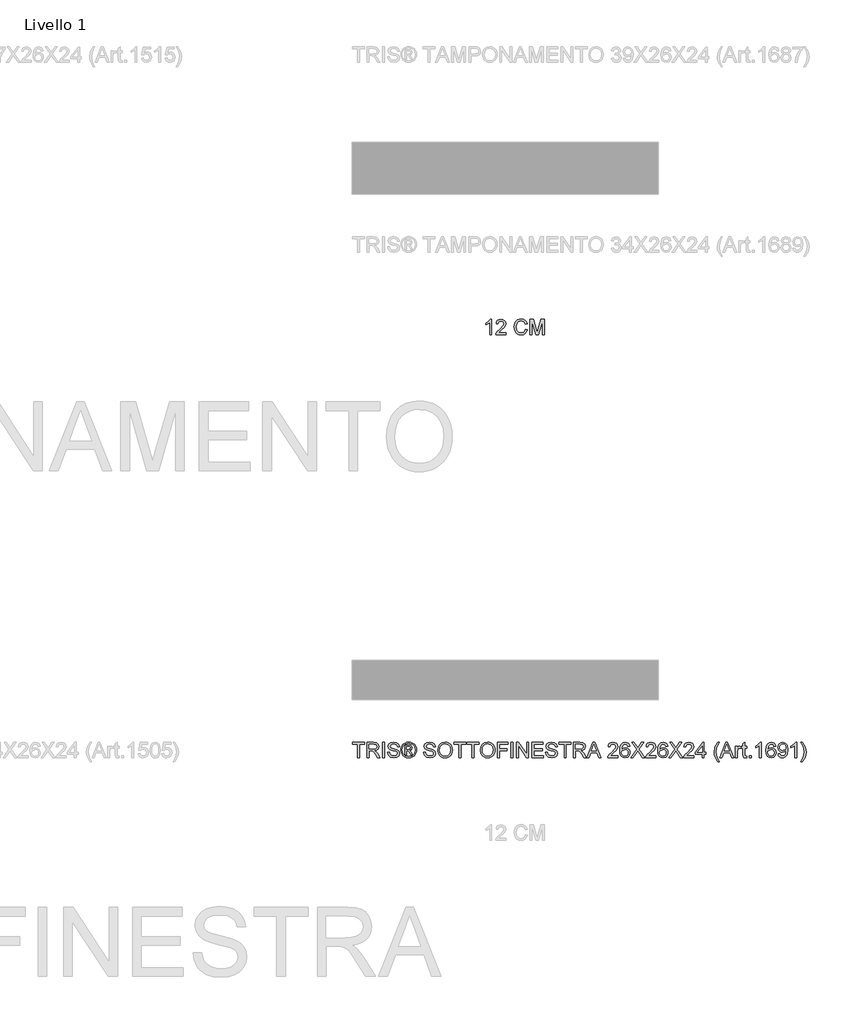
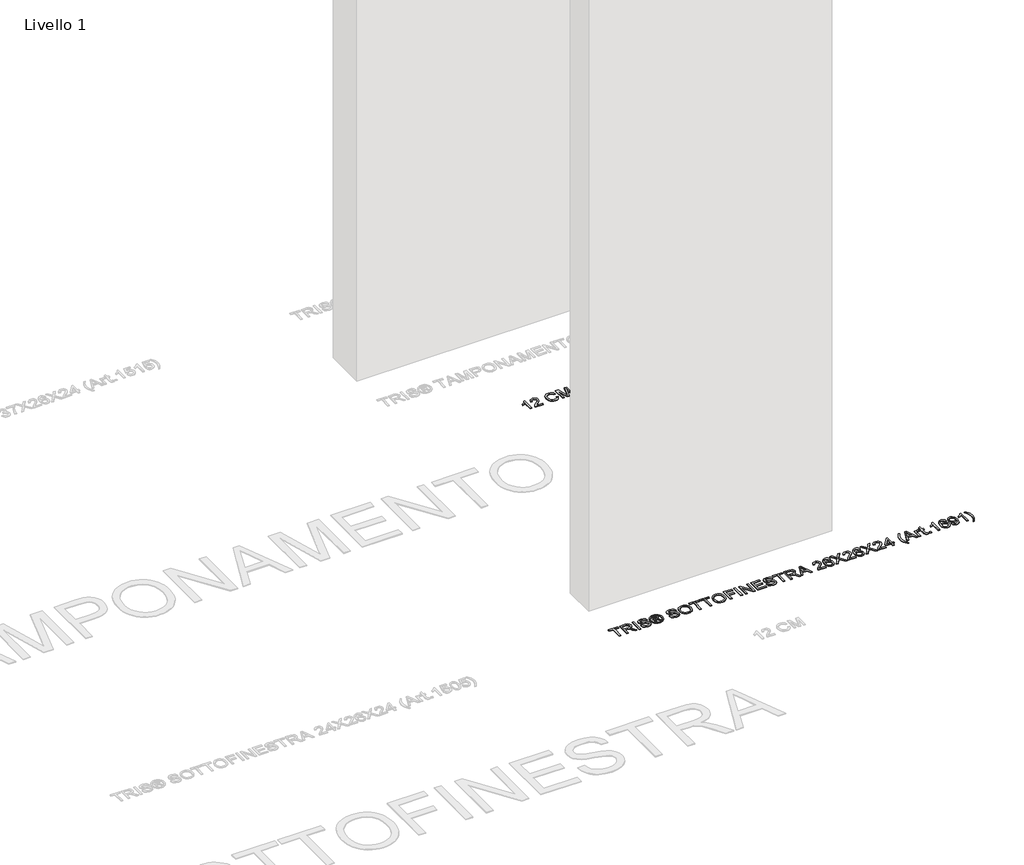
# One storey, part 13 of 16: 2 proxies.
"""IFC4 building model written with IfcOpenShell, lengths in millimetres."""

from ifc_helpers import new_model, si_unit, origin, origin_with_axes, place, context, project, spatial, polyline, outline, extrude, element, save

model = new_model("IFC4")

# Units and contexts
model_context = context("Model", 3, world=origin())
ifc_project = project(units=[si_unit("LENGTHUNIT", "METRE", prefix="MILLI")], contexts=[model_context])

# Site, building, storey
site = spatial("IfcSite", under=ifc_project)
building = spatial("IfcBuilding", under=site)
storey = spatial("IfcBuildingStorey", under=building, Name="Livello 1", Elevation=0.0)

# Proxies
placement = place(None, origin())
element("IfcBuildingElementProxy", 1, Name="100", ObjectType="100", at=placement, inside=storey, context=model_context, shape_type="SweptSolid", body=[
    extrude(outline(polyline([(2625.2646003, 1459.0708569), (2625.2646003, 1546.9701283), (2592.3023735, 1546.9701283), (2592.3023735, 1559.527167), (2670.7838658, 1559.527167), (2670.7838658, 1546.9701283), (2637.8216391, 1546.9701283), (2637.8216391, 1459.0708569), (2625.2646003, 1459.0708569)])), origin_with_axes(), (0.0, 0.0, 1.0), 5.0),
    extrude(outline(polyline([(2684.9105345, 1459.0708569), (2684.9105345, 1559.527167), (2728.1979826, 1559.527167), (2748.2966022, 1556.817103), (2759.2840112, 1547.2276457), (2763.3920268, 1532.0341193), (2761.6905725, 1522.1380936), (2756.5862099, 1513.9343251), (2747.9256546, 1507.9194545), (2735.5556225, 1504.5901224), (2742.6925332, 1499.2190453), (2752.8706017, 1486.2941245), (2769.6214952, 1459.0708569), (2755.0288427, 1459.0708569), (2741.9567692, 1479.8929778), (2732.5144646, 1493.6762899), (2725.880326, 1500.1878012), (2719.9083749, 1502.5790342), (2712.6243114, 1503.0204926), (2697.4675732, 1503.0204926), (2697.4675732, 1459.0708569), (2684.9105345, 1459.0708569)]), holes=[polyline([(2697.4675732, 1515.5775314), (2725.5737577, 1515.5775314), (2739.9088927, 1517.3556277), (2748.0513476, 1523.0455359), (2750.834988, 1531.5681354), (2745.5252245, 1542.6291207), (2728.7375428, 1546.9701283), (2697.4675732, 1546.9701283), (2697.4675732, 1515.5775314)])]), origin_with_axes(), (0.0, 0.0, 1.0), 5.0),
    extrude(outline(polyline([(2786.9364745, 1459.0708569), (2786.9364745, 1559.527167), (2799.4935132, 1559.527167), (2799.4935132, 1459.0708569), (2786.9364745, 1459.0708569)])), origin_with_axes(), (0.0, 0.0, 1.0), 5.0),
    extrude(outline(polyline([(2819.8987012, 1493.6027135), (2832.45574, 1493.6027135), (2836.5024419, 1481.033412), (2846.3862049, 1473.0871609), (2861.4448412, 1470.0582658), (2874.5659657, 1472.3513969), (2883.0395143, 1478.6544418), (2885.8231548, 1487.0789395), (2883.7384901, 1494.914826), (2875.2036278, 1500.6169969), (2856.9198927, 1505.4117256), (2837.2382059, 1511.6044058), (2826.5573653, 1520.9486085), (2823.0379609, 1533.4320709), (2827.3912312, 1547.6445786), (2840.1076855, 1557.6754943), (2858.7225144, 1561.0967969), (2878.5881422, 1557.5160788), (2891.831894, 1546.9946537), (2896.8105637, 1531.2738298), (2884.2535249, 1531.2738298), (2881.9481311, 1538.7663598), (2877.1411397, 1544.1742251), (2859.2130238, 1548.5397581), (2841.2358569, 1544.2232761), (2835.5949997, 1533.7999529), (2839.5926507, 1525.0934123), (2860.0959406, 1518.0791289), (2882.3160131, 1511.7760841), (2894.4683816, 1501.5980155), (2898.3801935, 1487.3977705), (2893.8797705, 1472.3759224), (2880.9303242, 1461.4130389), (2861.9353505, 1457.5012271), (2839.5068116, 1461.7196073), (2825.3188293, 1474.4237988), (2819.8987012, 1493.6027135)])), origin_with_axes(), (0.0, 0.0, 1.0), 5.0),
    extrude(outline(polyline([(2934.48168, 1477.9064151), (2934.48168, 1540.6916089), (2954.7642407, 1540.6916089), (2969.822877, 1538.9625635), (2977.2418306, 1532.9292988), (2980.0009455, 1523.7690371), (2975.2430051, 1511.8496605), (2962.6369154, 1506.1597523), (2967.5420086, 1502.8242889), (2976.1013964, 1490.2917756), (2983.1402052, 1477.9064151), (2972.5452038, 1477.9064151), (2967.0269738, 1487.8637544), (2957.780873, 1502.2847286), (2949.7610455, 1504.5901224), (2943.8994591, 1504.5901224), (2943.8994591, 1477.9064151), (2934.48168, 1477.9064151)]), holes=[polyline([(2943.8994591, 1514.0079015), (2955.8188357, 1514.0079015), (2967.4684322, 1516.3991345), (2970.5831664, 1522.7389675), (2969.087113, 1527.3007043), (2964.9300465, 1530.2928112), (2955.0585463, 1531.2738298), (2943.8994591, 1531.2738298), (2943.8994591, 1514.0079015)])]), origin_with_axes(), (0.0, 0.0, 1.0), 5.0),
    extrude(outline(polyline([(2958.0506531, 1561.0967969), (2970.9449171, 1559.4229338), (2983.5326127, 1554.4013446), (2994.5905323, 1546.2650211), (3002.8954684, 1535.2469554), (3008.0918015, 1522.5243697), (3009.8239126, 1509.2744865), (3008.116327, 1496.1410993), (3002.9935702, 1483.5227468), (2994.7898017, 1472.544535), (2983.839181, 1464.3315694), (2971.2300256, 1459.2088126), (2958.0506531, 1457.5012271), (2944.8896748, 1459.2088126), (2932.2866507, 1464.3315694), (2921.326833, 1472.544535), (2913.0954733, 1483.5227468), (2907.9451254, 1496.1410993), (2906.2283428, 1509.2744865), (2907.9696509, 1522.5243697), (2913.1935752, 1535.2469554), (2921.5261024, 1546.2650211), (2932.5932191, 1554.4013446), (2945.1747833, 1559.4229338), (2958.0506531, 1561.0967969)]), holes=[polyline([(2958.0506531, 1551.6790178), (2937.2285322, 1546.1975761), (2928.2000949, 1539.5358463), (2921.3728182, 1530.5135404), (2915.6461218, 1509.2744865), (2921.2624536, 1488.2193737), (2936.9832776, 1472.5353379), (2958.0506531, 1466.9190061), (2979.1302915, 1472.5353379), (2994.8143272, 1488.2193737), (3000.4061335, 1509.2744865), (2994.7162253, 1530.5135404), (2987.9073427, 1539.5358463), (2978.8605113, 1546.1975761), (2958.0506531, 1551.6790178)])]), origin_with_axes(), (0.0, 0.0, 1.0), 5.0),
    extrude(outline(polyline([(3055.3431781, 1493.6027135), (3067.9002169, 1493.6027135), (3071.9469189, 1481.033412), (3081.8306818, 1473.0871609), (3096.8893181, 1470.0582658), (3110.0104426, 1472.3513969), (3118.4839912, 1478.6544418), (3121.2676317, 1487.0789395), (3119.182967, 1494.914826), (3110.6481047, 1500.6169969), (3092.3643696, 1505.4117256), (3072.6826828, 1511.6044058), (3062.0018422, 1520.9486085), (3058.4824378, 1533.4320709), (3062.8357081, 1547.6445786), (3075.5521624, 1557.6754943), (3094.1669914, 1561.0967969), (3114.0326191, 1557.5160788), (3127.2763709, 1546.9946537), (3132.2550406, 1531.2738298), (3119.6980018, 1531.2738298), (3117.392608, 1538.7663598), (3112.5856166, 1544.1742251), (3094.6575007, 1548.5397581), (3076.6803339, 1544.2232761), (3071.0394766, 1533.7999529), (3075.0371276, 1525.0934123), (3095.5404175, 1518.0791289), (3117.76049, 1511.7760841), (3129.9128586, 1501.5980155), (3133.8246704, 1487.3977705), (3129.3242474, 1472.3759224), (3116.3748011, 1461.4130389), (3097.3798275, 1457.5012271), (3074.9512885, 1461.7196073), (3060.7633062, 1474.4237988), (3055.3431781, 1493.6027135)])), origin_with_axes(), (0.0, 0.0, 1.0), 5.0),
    extrude(outline(polyline([(3147.9513391, 1507.9746368), (3151.2990652, 1530.1885779), (3161.3422437, 1546.9946537), (3176.6767915, 1557.5712611), (3195.8986258, 1561.0967969), (3209.0749326, 1559.4413279), (3220.890076, 1554.474921), (3230.7002625, 1546.547064), (3237.8616987, 1536.0072448), (3242.2394944, 1523.3643669), (3243.6987597, 1509.1273337), (3242.1628523, 1494.7002281), (3237.5551303, 1481.8795406), (3230.1300454, 1471.3213273), (3220.1420492, 1463.6816446), (3208.4280734, 1459.0463314), (3195.8250494, 1457.5012271), (3182.4464075, 1459.2088126), (3170.563819, 1464.3315694), (3160.778158, 1472.4065792), (3153.6902982, 1482.9709239), (3147.9513391, 1507.9746368)]), holes=[polyline([(3160.5083778, 1507.8520095), (3163.0191724, 1492.1373169), (3170.5515563, 1480.162758), (3181.8731247, 1472.5843889), (3195.751473, 1470.0582658), (3209.8321563, 1472.6089143), (3221.1721188, 1480.2608598), (3228.6493204, 1492.6033008), (3231.1417209, 1509.2254356), (3226.8742898, 1529.9494546), (3214.4030901, 1543.6714531), (3195.9722022, 1548.5397581), (3182.4648016, 1546.1945104), (3170.980752, 1539.1587672), (3163.1264714, 1526.6415824), (3160.5083778, 1507.8520095)])]), origin_with_axes(), (0.0, 0.0, 1.0), 5.0),
    extrude(outline(polyline([(3286.0787655, 1459.0708569), (3286.0787655, 1546.9701283), (3253.1165387, 1546.9701283), (3253.1165387, 1559.527167), (3331.598031, 1559.527167), (3331.598031, 1546.9701283), (3298.6358043, 1546.9701283), (3298.6358043, 1459.0708569), (3286.0787655, 1459.0708569)])), origin_with_axes(), (0.0, 0.0, 1.0), 5.0),
    extrude(outline(polyline([(3370.8387772, 1459.0708569), (3370.8387772, 1546.9701283), (3337.8765504, 1546.9701283), (3337.8765504, 1559.527167), (3416.3580427, 1559.527167), (3416.3580427, 1546.9701283), (3383.395816, 1546.9701283), (3383.395816, 1459.0708569), (3370.8387772, 1459.0708569)])), origin_with_axes(), (0.0, 0.0, 1.0), 5.0),
    extrude(outline(polyline([(3425.7758218, 1507.9746368), (3429.123548, 1530.1885779), (3439.1667264, 1546.9946537), (3454.5012743, 1557.5712611), (3473.7231085, 1561.0967969), (3486.8994153, 1559.4413279), (3498.7145587, 1554.474921), (3508.5247453, 1546.547064), (3515.6861814, 1536.0072448), (3520.0639772, 1523.3643669), (3521.5232424, 1509.1273337), (3519.9873351, 1494.7002281), (3515.3796131, 1481.8795406), (3507.9545282, 1471.3213273), (3497.966532, 1463.6816446), (3486.2525561, 1459.0463314), (3473.6495321, 1457.5012271), (3460.2708902, 1459.2088126), (3448.3883018, 1464.3315694), (3438.6026407, 1472.4065792), (3431.5147809, 1482.9709239), (3425.7758218, 1507.9746368)]), holes=[polyline([(3438.3328606, 1507.8520095), (3440.8436552, 1492.1373169), (3448.3760391, 1480.162758), (3459.6976075, 1472.5843889), (3473.5759557, 1470.0582658), (3487.6566391, 1472.6089143), (3498.9966016, 1480.2608598), (3506.4738031, 1492.6033008), (3508.9662037, 1509.2254356), (3504.6987725, 1529.9494546), (3492.2275729, 1543.6714531), (3473.7966849, 1548.5397581), (3460.2892843, 1546.1945104), (3448.8052347, 1539.1587672), (3440.9509541, 1526.6415824), (3438.3328606, 1507.8520095)])]), origin_with_axes(), (0.0, 0.0, 1.0), 5.0),
    extrude(outline(polyline([(3538.7891707, 1459.0708569), (3538.7891707, 1559.527167), (3606.2832541, 1559.527167), (3606.2832541, 1546.9701283), (3551.3462095, 1546.9701283), (3551.3462095, 1517.1471612), (3598.4351049, 1517.1471612), (3598.4351049, 1504.5901224), (3551.3462095, 1504.5901224), (3551.3462095, 1459.0708569), (3538.7891707, 1459.0708569)])), origin_with_axes(), (0.0, 0.0, 1.0), 5.0),
    extrude(outline(polyline([(3625.1188123, 1459.0708569), (3625.1188123, 1559.527167), (3637.675851, 1559.527167), (3637.675851, 1459.0708569), (3625.1188123, 1459.0708569)])), origin_with_axes(), (0.0, 0.0, 1.0), 5.0),
    extrude(outline(polyline([(3662.7899286, 1459.0708569), (3662.7899286, 1559.527167), (3676.2298841, 1559.527167), (3728.7143821, 1479.9420288), (3728.7143821, 1559.527167), (3741.2714209, 1559.527167), (3741.2714209, 1459.0708569), (3727.8314653, 1459.0708569), (3675.3469673, 1538.6805207), (3675.3469673, 1459.0708569), (3662.7899286, 1459.0708569)])), origin_with_axes(), (0.0, 0.0, 1.0), 5.0),
    extrude(outline(polyline([(3763.2462387, 1459.0708569), (3763.2462387, 1559.527167), (3835.4492116, 1559.527167), (3835.4492116, 1546.9701283), (3775.8032775, 1546.9701283), (3775.8032775, 1517.1471612), (3832.309952, 1517.1471612), (3832.309952, 1504.5901224), (3775.8032775, 1504.5901224), (3775.8032775, 1471.6278957), (3837.0188415, 1471.6278957), (3837.0188415, 1459.0708569), (3763.2462387, 1459.0708569)])), origin_with_axes(), (0.0, 0.0, 1.0), 5.0),
    extrude(outline(polyline([(3851.1455101, 1493.6027135), (3863.7025489, 1493.6027135), (3867.7492508, 1481.033412), (3877.6330138, 1473.0871609), (3892.6916501, 1470.0582658), (3905.8127746, 1472.3513969), (3914.2863232, 1478.6544418), (3917.0699636, 1487.0789395), (3914.985299, 1494.914826), (3906.4504367, 1500.6169969), (3888.1667016, 1505.4117256), (3868.4850148, 1511.6044058), (3857.8041742, 1520.9486085), (3854.2847698, 1533.4320709), (3858.6380401, 1547.6445786), (3871.3544944, 1557.6754943), (3889.9693233, 1561.0967969), (3909.8349511, 1557.5160788), (3923.0787029, 1546.9946537), (3928.0573726, 1531.2738298), (3915.5003338, 1531.2738298), (3913.19494, 1538.7663598), (3908.3879486, 1544.1742251), (3890.4598327, 1548.5397581), (3872.4826658, 1544.2232761), (3866.8418086, 1533.7999529), (3870.8394596, 1525.0934123), (3891.3427494, 1518.0791289), (3913.562822, 1511.7760841), (3925.7151905, 1501.5980155), (3929.6270024, 1487.3977705), (3925.1265793, 1472.3759224), (3912.1771331, 1461.4130389), (3893.1821594, 1457.5012271), (3870.7536204, 1461.7196073), (3856.5656382, 1474.4237988), (3851.1455101, 1493.6027135)])), origin_with_axes(), (0.0, 0.0, 1.0), 5.0),
    extrude(outline(polyline([(3973.5766381, 1459.0708569), (3973.5766381, 1546.9701283), (3940.6144113, 1546.9701283), (3940.6144113, 1559.527167), (4019.0959036, 1559.527167), (4019.0959036, 1546.9701283), (3986.1336769, 1546.9701283), (3986.1336769, 1459.0708569), (3973.5766381, 1459.0708569)])), origin_with_axes(), (0.0, 0.0, 1.0), 5.0),
    extrude(outline(polyline([(4033.2225722, 1459.0708569), (4033.2225722, 1559.527167), (4076.5100203, 1559.527167), (4096.60864, 1556.817103), (4107.5960489, 1547.2276457), (4111.7040646, 1532.0341193), (4110.0026103, 1522.1380936), (4104.8982476, 1513.9343251), (4096.2376923, 1507.9194545), (4083.8676603, 1504.5901224), (4091.004571, 1499.2190453), (4101.1826395, 1486.2941245), (4117.933533, 1459.0708569), (4103.3408805, 1459.0708569), (4090.268807, 1479.8929778), (4080.8265024, 1493.6762899), (4074.1923638, 1500.1878012), (4068.2204127, 1502.5790342), (4060.9363492, 1503.0204926), (4045.779611, 1503.0204926), (4045.779611, 1459.0708569), (4033.2225722, 1459.0708569)]), holes=[polyline([(4045.779611, 1515.5775314), (4073.8857954, 1515.5775314), (4088.2209305, 1517.3556277), (4096.3633854, 1523.0455359), (4099.1470258, 1531.5681354), (4093.8372623, 1542.6291207), (4077.0495806, 1546.9701283), (4045.779611, 1546.9701283), (4045.779611, 1515.5775314)])]), origin_with_axes(), (0.0, 0.0, 1.0), 5.0),
    extrude(outline(polyline([(4121.980235, 1459.0708569), (4162.0793724, 1559.527167), (4172.7724758, 1559.527167), (4212.8716132, 1459.0708569), (4199.6033359, 1459.0708569), (4188.1008922, 1490.4634538), (4146.7264305, 1490.4634538), (4135.2485122, 1459.0708569), (4121.980235, 1459.0708569)]), holes=[polyline([(4151.3372182, 1503.0204926), (4183.51463, 1503.0204926), (4174.4647329, 1527.7176372), (4167.4259241, 1546.9701283), (4161.1719302, 1529.8758782), (4151.3372182, 1503.0204926)])]), origin_with_axes(), (0.0, 0.0, 1.0), 5.0),
    extrude(outline(polyline([(4325.1737236, 1471.6278957), (4325.1737236, 1459.0708569), (4259.2492701, 1459.0708569), (4260.5981707, 1467.7283465), (4268.2255908, 1481.0579375), (4283.9464147, 1495.6138018), (4305.6269269, 1516.5340245), (4311.047055, 1530.758795), (4305.9334953, 1542.2735015), (4292.5793788, 1546.9701283), (4278.6611767, 1542.3838661), (4273.3759387, 1529.7042), (4260.8188999, 1531.2738298), (4263.8631234, 1543.420067), (4270.4451455, 1552.2921545), (4280.2216095, 1557.7184139), (4292.849159, 1559.527167), (4305.568679, 1557.5160788), (4315.3267489, 1551.4828141), (4321.5347576, 1542.4697052), (4323.6040938, 1531.5190845), (4321.3722763, 1519.6119706), (4313.9533228, 1507.3001865), (4295.9638932, 1490.0955718), (4281.5183935, 1478.0167797), (4275.8530108, 1471.6278957), (4325.1737236, 1471.6278957)])), origin_with_axes(), (0.0, 0.0, 1.0), 5.0),
    extrude(outline(polyline([(4402.0855861, 1532.8434597), (4389.5285473, 1531.2738298), (4384.7706068, 1541.7462039), (4372.1890426, 1546.9701283), (4360.8582772, 1543.9289705), (4352.2866267, 1532.5123659), (4348.7181713, 1510.1328778), (4359.7914194, 1520.1515308), (4373.5134178, 1523.4256806), (4385.1139634, 1521.1877318), (4394.8505735, 1514.4738854), (4401.4540553, 1504.2161091), (4403.6552159, 1491.3463706), (4399.5104121, 1474.0191286), (4388.1060703, 1461.7563955), (4371.6494823, 1457.5012271), (4357.4032521, 1460.3216557), (4346.0571582, 1468.7829416), (4338.635139, 1483.7189506), (4336.1611325, 1505.9635486), (4338.9079848, 1530.9733929), (4347.1485415, 1548.0737743), (4358.3995992, 1556.6638189), (4372.9738575, 1559.527167), (4383.9919233, 1557.7552021), (4392.8149598, 1552.4393073), (4398.9953773, 1543.9964155), (4402.0855861, 1532.8434597)]), holes=[polyline([(4348.7181713, 1491.5425743), (4351.6244391, 1480.66553), (4359.349961, 1472.7683299), (4370.6684637, 1470.0582658), (4378.9550056, 1471.4623488), (4385.4695826, 1475.6745976), (4389.6910285, 1482.2964735), (4391.0981772, 1490.9294377), (4389.7094226, 1499.2159796), (4385.543159, 1505.5343529), (4378.9182174, 1509.5350696), (4370.1534289, 1510.8686418), (4354.9599025, 1505.5343529), (4350.2786041, 1499.3692638), (4348.7181713, 1491.5425743)])]), origin_with_axes(), (0.0, 0.0, 1.0), 5.0),
    extrude(outline(polyline([(4408.3641055, 1459.0708569), (4447.0898168, 1513.8116978), (4414.6426248, 1559.527167), (4429.7012612, 1559.527167), (4447.9727336, 1533.7999529), (4454.1286257, 1523.7690371), (4461.3391128, 1533.9716311), (4479.4143815, 1559.527167), (4494.693747, 1559.527167), (4462.246555, 1513.664545), (4500.9722664, 1459.0708569), (4485.91363, 1459.0708569), (4460.1128395, 1495.466649), (4454.7417623, 1503.0204926), (4448.8311249, 1494.730885), (4423.643471, 1459.0708569), (4408.3641055, 1459.0708569)])), origin_with_axes(), (0.0, 0.0, 1.0), 5.0),
    extrude(outline(polyline([(4573.1752393, 1471.6278957), (4573.1752393, 1459.0708569), (4507.2507858, 1459.0708569), (4508.5996864, 1467.7283465), (4516.2271065, 1481.0579375), (4531.9479304, 1495.6138018), (4553.6284426, 1516.5340245), (4559.0485707, 1530.758795), (4553.935011, 1542.2735015), (4540.5808945, 1546.9701283), (4526.6626924, 1542.3838661), (4521.3774544, 1529.7042), (4508.8204156, 1531.2738298), (4511.8646391, 1543.420067), (4518.4466612, 1552.2921545), (4528.2231252, 1557.7184139), (4540.8506747, 1559.527167), (4553.5701946, 1557.5160788), (4563.3282646, 1551.4828141), (4569.5362732, 1542.4697052), (4571.6056095, 1531.5190845), (4569.373792, 1519.6119706), (4561.9548385, 1507.3001865), (4543.9654089, 1490.0955718), (4529.5199092, 1478.0167797), (4523.8545265, 1471.6278957), (4573.1752393, 1471.6278957)])), origin_with_axes(), (0.0, 0.0, 1.0), 5.0),
    extrude(outline(polyline([(4650.0871018, 1532.8434597), (4637.530063, 1531.2738298), (4632.7721225, 1541.7462039), (4620.1905583, 1546.9701283), (4608.8597928, 1543.9289705), (4600.2881423, 1532.5123659), (4596.719687, 1510.1328778), (4607.792935, 1520.1515308), (4621.5149335, 1523.4256806), (4633.1154791, 1521.1877318), (4642.8520892, 1514.4738854), (4649.455571, 1504.2161091), (4651.6567316, 1491.3463706), (4647.5119278, 1474.0191286), (4636.1075859, 1461.7563955), (4619.650998, 1457.5012271), (4605.4047678, 1460.3216557), (4594.0586739, 1468.7829416), (4586.6366546, 1483.7189506), (4584.1626482, 1505.9635486), (4586.9095005, 1530.9733929), (4595.1500571, 1548.0737743), (4606.4011148, 1556.6638189), (4620.9753732, 1559.527167), (4631.993439, 1557.7552021), (4640.8164755, 1552.4393073), (4646.996893, 1543.9964155), (4650.0871018, 1532.8434597)]), holes=[polyline([(4596.719687, 1491.5425743), (4599.6259548, 1480.66553), (4607.3514767, 1472.7683299), (4618.6699794, 1470.0582658), (4626.9565213, 1471.4623488), (4633.4710983, 1475.6745976), (4637.6925442, 1482.2964735), (4639.0996928, 1490.9294377), (4637.7109383, 1499.2159796), (4633.5446747, 1505.5343529), (4626.9197331, 1509.5350696), (4618.1549446, 1510.8686418), (4602.9614182, 1505.5343529), (4598.2801198, 1499.3692638), (4596.719687, 1491.5425743)])]), origin_with_axes(), (0.0, 0.0, 1.0), 5.0),
    extrude(outline(polyline([(4656.3656211, 1459.0708569), (4695.0913325, 1513.8116978), (4662.6441405, 1559.527167), (4677.7027769, 1559.527167), (4695.9742493, 1533.7999529), (4702.1301413, 1523.7690371), (4709.3406285, 1533.9716311), (4727.4158971, 1559.527167), (4742.6952627, 1559.527167), (4710.2480707, 1513.664545), (4748.9737821, 1459.0708569), (4733.9151457, 1459.0708569), (4708.1143551, 1495.466649), (4702.743278, 1503.0204926), (4696.8326406, 1494.730885), (4671.6449867, 1459.0708569), (4656.3656211, 1459.0708569)])), origin_with_axes(), (0.0, 0.0, 1.0), 5.0),
    extrude(outline(polyline([(4821.176755, 1471.6278957), (4821.176755, 1459.0708569), (4755.2523014, 1459.0708569), (4756.6012021, 1467.7283465), (4764.2286221, 1481.0579375), (4779.9494461, 1495.6138018), (4801.6299583, 1516.5340245), (4807.0500864, 1530.758795), (4801.9365266, 1542.2735015), (4788.5824102, 1546.9701283), (4774.6642081, 1542.3838661), (4769.3789701, 1529.7042), (4756.8219313, 1531.2738298), (4759.8661548, 1543.420067), (4766.4481768, 1552.2921545), (4776.2246409, 1557.7184139), (4788.8521903, 1559.527167), (4801.5717103, 1557.5160788), (4811.3297802, 1551.4828141), (4817.5377889, 1542.4697052), (4819.6071251, 1531.5190845), (4817.3753077, 1519.6119706), (4809.9563541, 1507.3001865), (4791.9669246, 1490.0955718), (4777.5214249, 1478.0167797), (4771.8560422, 1471.6278957), (4821.176755, 1471.6278957)])), origin_with_axes(), (0.0, 0.0, 1.0), 5.0),
    extrude(outline(polyline([(4874.5441698, 1459.0708569), (4874.5441698, 1482.6153046), (4829.0249042, 1482.6153046), (4829.0249042, 1495.1723434), (4877.6834294, 1557.9575372), (4887.1012085, 1557.9575372), (4887.1012085, 1495.1723434), (4899.6582473, 1495.1723434), (4899.6582473, 1482.6153046), (4887.1012085, 1482.6153046), (4887.1012085, 1459.0708569), (4874.5441698, 1459.0708569)]), holes=[polyline([(4874.5441698, 1495.1723434), (4874.5441698, 1533.9716311), (4844.475948, 1495.1723434), (4874.5441698, 1495.1723434)])]), origin_with_axes(), (0.0, 0.0, 1.0), 5.0),
    extrude(outline(polyline([(4978.1397396, 1430.8175197), (4960.3097256, 1460.2726048), (4954.8466779, 1477.4526939), (4953.0256621, 1495.2459198), (4958.4703156, 1525.7801254), (4978.1397396, 1559.527167), (4987.5575187, 1559.527167), (4975.8098203, 1539.6370138), (4968.746486, 1520.3599973), (4965.5827008, 1495.1723434), (4971.0764053, 1462.9826688), (4987.5575187, 1430.8175197), (4978.1397396, 1430.8175197)])), origin_with_axes(), (0.0, 0.0, 1.0), 5.0),
    extrude(outline(polyline([(4989.9855398, 1459.0708569), (5030.0846773, 1559.527167), (5040.7777806, 1559.527167), (5080.8769181, 1459.0708569), (5067.6086408, 1459.0708569), (5056.1061971, 1490.4634538), (5014.7317354, 1490.4634538), (5003.2538171, 1459.0708569), (4989.9855398, 1459.0708569)]), holes=[polyline([(5019.3425231, 1503.0204926), (5051.5199349, 1503.0204926), (5042.4700378, 1527.7176372), (5035.431229, 1546.9701283), (5029.1772351, 1529.8758782), (5019.3425231, 1503.0204926)])]), origin_with_axes(), (0.0, 0.0, 1.0), 5.0),
    extrude(outline(polyline([(5092.7227184, 1459.0708569), (5092.7227184, 1532.8434597), (5103.7101273, 1532.8434597), (5103.7101273, 1521.9296271), (5111.5092256, 1531.9850683), (5119.3573748, 1534.4130895), (5131.9634645, 1530.5380658), (5127.7696098, 1519.2808768), (5118.9404419, 1521.8560507), (5111.8403194, 1519.3789786), (5107.3153708, 1512.5118481), (5105.2797571, 1497.8456192), (5105.2797571, 1459.0708569), (5092.7227184, 1459.0708569)])), origin_with_axes(), (0.0, 0.0, 1.0), 5.0),
    extrude(outline(polyline([(5166.4953211, 1469.543231), (5168.064951, 1458.7029749), (5158.6716974, 1457.5012271), (5148.1502723, 1459.5858917), (5142.9018225, 1465.0550707), (5141.3812436, 1479.3043666), (5141.3812436, 1520.2864209), (5131.9634645, 1520.2864209), (5131.9634645, 1532.8434597), (5141.3812436, 1532.8434597), (5141.3812436, 1550.7715756), (5153.9382824, 1558.1537409), (5153.9382824, 1532.8434597), (5166.4953211, 1532.8434597), (5166.4953211, 1520.2864209), (5153.9382824, 1520.2864209), (5153.9382824, 1479.6722486), (5154.6004699, 1473.1975255), (5156.7464483, 1470.9043944), (5161.0261421, 1470.0582658), (5166.4953211, 1469.543231)])), origin_with_axes(), (0.0, 0.0, 1.0), 5.0),
    extrude(outline(polyline([(5182.1916196, 1459.0708569), (5182.1916196, 1471.6278957), (5194.7486584, 1471.6278957), (5194.7486584, 1459.0708569), (5182.1916196, 1459.0708569)])), origin_with_axes(), (0.0, 0.0, 1.0), 5.0),
    extrude(outline(polyline([(5262.2427417, 1459.0708569), (5249.685703, 1459.0708569), (5249.685703, 1537.3561455), (5237.7908518, 1528.8825969), (5224.5716254, 1522.5427638), (5224.5716254, 1534.4130895), (5242.9779879, 1546.1607879), (5254.1493378, 1559.527167), (5262.2427417, 1559.527167), (5262.2427417, 1459.0708569)])), origin_with_axes(), (0.0, 0.0, 1.0), 5.0),
    extrude(outline(polyline([(5356.4205325, 1532.8434597), (5343.8634937, 1531.2738298), (5339.1055533, 1541.7462039), (5326.523989, 1546.9701283), (5315.1932236, 1543.9289705), (5306.6215731, 1532.5123659), (5303.0531177, 1510.1328778), (5314.1263658, 1520.1515308), (5327.8483642, 1523.4256806), (5339.4489098, 1521.1877318), (5349.1855199, 1514.4738854), (5355.7890017, 1504.2161091), (5357.9901623, 1491.3463706), (5353.8453585, 1474.0191286), (5342.4410167, 1461.7563955), (5325.9844288, 1457.5012271), (5311.7381985, 1460.3216557), (5300.3921046, 1468.7829416), (5292.9700854, 1483.7189506), (5290.496079, 1505.9635486), (5293.2429312, 1530.9733929), (5301.4834879, 1548.0737743), (5312.7345456, 1556.6638189), (5327.3088039, 1559.527167), (5338.3268697, 1557.7552021), (5347.1499062, 1552.4393073), (5353.3303237, 1543.9964155), (5356.4205325, 1532.8434597)]), holes=[polyline([(5303.0531177, 1491.5425743), (5305.9593855, 1480.66553), (5313.6849074, 1472.7683299), (5325.0034101, 1470.0582658), (5333.2899521, 1471.4623488), (5339.8045291, 1475.6745976), (5344.0259749, 1482.2964735), (5345.4331236, 1490.9294377), (5344.044369, 1499.2159796), (5339.8781055, 1505.5343529), (5333.2531639, 1509.5350696), (5324.4883753, 1510.8686418), (5309.2948489, 1505.5343529), (5304.6135505, 1499.3692638), (5303.0531177, 1491.5425743)])]), origin_with_axes(), (0.0, 0.0, 1.0), 5.0),
    extrude(outline(polyline([(5370.5472011, 1484.1849344), (5383.1042399, 1485.7545643), (5388.7450971, 1473.773874), (5399.4382005, 1470.0582658), (5409.6040063, 1472.4494988), (5416.4956623, 1478.8383828), (5420.6036779, 1489.7522153), (5422.4185624, 1504.3203423), (5422.344986, 1506.7728889), (5412.3018076, 1497.257008), (5398.5307582, 1493.6027135), (5387.0804311, 1495.834531), (5377.5492218, 1502.5299833), (5371.1204839, 1512.8735987), (5368.9775713, 1526.0499055), (5371.2247171, 1539.6615393), (5377.9661547, 1550.3301172), (5388.0921066, 1557.2279046), (5400.4927955, 1559.527167), (5418.3841232, 1554.2787173), (5430.6959073, 1539.3181828), (5434.9020248, 1511.2119983), (5430.7081701, 1480.7145809), (5425.4934428, 1470.7235191), (5418.2369704, 1463.4363899), (5409.2514527, 1458.9850178), (5398.8495893, 1457.5012271), (5388.1135664, 1459.2517322), (5379.5480473, 1464.5032477), (5373.5577021, 1472.9246797), (5370.5472011, 1484.1849344)]), holes=[polyline([(5422.344986, 1526.3442111), (5420.989954, 1534.8545479), (5416.924858, 1541.4028474), (5410.6156818, 1545.5783081), (5402.5284092, 1546.9701283), (5394.1406997, 1545.4710092), (5387.420722, 1540.9736518), (5383.006138, 1534.0911928), (5381.53461, 1525.4367688), (5382.9264303, 1517.6775244), (5387.1018909, 1511.5185667), (5393.6563218, 1507.4994559), (5402.1850527, 1506.1597523), (5416.6673406, 1511.5185667), (5420.9255747, 1517.904385), (5422.344986, 1526.3442111)])]), origin_with_axes(), (0.0, 0.0, 1.0), 5.0),
    extrude(outline(polyline([(5492.9783291, 1459.0708569), (5480.4212903, 1459.0708569), (5480.4212903, 1537.3561455), (5468.5264392, 1528.8825969), (5455.3072128, 1522.5427638), (5455.3072128, 1534.4130895), (5473.7135753, 1546.1607879), (5484.8849252, 1559.527167), (5492.9783291, 1559.527167), (5492.9783291, 1459.0708569)])), origin_with_axes(), (0.0, 0.0, 1.0), 5.0),
    extrude(outline(polyline([(5529.0798156, 1430.8175197), (5519.6620365, 1430.8175197), (5536.1431499, 1462.9826688), (5541.6368543, 1495.1723434), (5538.4730692, 1520.1392681), (5531.4833113, 1539.4408101), (5519.6620365, 1559.527167), (5529.0798156, 1559.527167), (5548.7492396, 1525.7801254), (5554.1938931, 1495.2459198), (5552.3636802, 1477.4526939), (5546.8730414, 1460.2726048), (5529.0798156, 1430.8175197)])), origin_with_axes(), (0.0, 0.0, 1.0), 5.0),
])
element("IfcBuildingElementProxy", 2, Name="100", ObjectType="100", at=placement, inside=storey, context=model_context, shape_type="SweptSolid", body=[
    extrude(outline(polyline([(3499.8577647, 4220.1409688), (3487.3007259, 4220.1409688), (3487.3007259, 4298.4262574), (3475.4058748, 4289.9527088), (3462.1866484, 4283.6128757), (3462.1866484, 4295.4832014), (3480.5930109, 4307.2308998), (3491.7643608, 4320.5972789), (3499.8577647, 4320.5972789), (3499.8577647, 4220.1409688)])), origin_with_axes(), (0.0, 0.0, 1.0), 5.0),
    extrude(outline(polyline([(3594.0355555, 4232.6980076), (3594.0355555, 4220.1409688), (3528.1111019, 4220.1409688), (3529.4600026, 4228.7984584), (3537.0874226, 4242.1280494), (3552.8082466, 4256.6839137), (3574.4887588, 4277.6041364), (3579.9088869, 4291.8289069), (3574.7953271, 4303.3436134), (3561.4412107, 4308.0402402), (3547.5230086, 4303.453978), (3542.2377706, 4290.7743119), (3529.6807318, 4292.3439417), (3532.7249553, 4304.4901789), (3539.3069773, 4313.3622664), (3549.0834414, 4318.7885258), (3561.7109908, 4320.5972789), (3574.4305108, 4318.5861907), (3584.1885807, 4312.552926), (3590.3965894, 4303.5398171), (3592.4659256, 4292.5891964), (3590.2341082, 4280.6820825), (3582.8151546, 4268.3702984), (3564.8257251, 4251.1656837), (3550.3802254, 4239.0868916), (3544.7148427, 4232.6980076), (3594.0355555, 4232.6980076)])), origin_with_axes(), (0.0, 0.0, 1.0), 5.0),
    extrude(outline(polyline([(3721.175573, 4255.8500478), (3733.7326118, 4252.6126862), (3727.9384704, 4237.9801799), (3718.8456537, 4227.2901422), (3706.9017516, 4220.7510398), (3692.5543538, 4218.571339), (3677.9892925, 4220.2206766), (3666.4224694, 4225.1686894), (3657.5565133, 4233.2436992), (3651.0940529, 4244.2740277), (3645.8333404, 4271.1294133), (3647.3201968, 4285.7772481), (3651.780766, 4298.4262574), (3658.982056, 4308.6748366), (3668.691075, 4316.1213813), (3680.2057815, 4320.6555269), (3692.8241339, 4322.1669088), (3706.5921176, 4320.2110029), (3717.9749997, 4314.343285), (3726.6171609, 4304.925506), (3732.1629819, 4292.3194163), (3719.6059432, 4289.3273094), (3709.3052473, 4304.7660904), (3692.3336246, 4309.60987), (3672.6887261, 4304.2387929), (3661.5909525, 4289.8178187), (3658.3903792, 4271.1539388), (3662.1795637, 4249.5224775), (3673.976313, 4235.7023772), (3691.303555, 4231.1283777), (3701.7851262, 4232.6857448), (3710.5192579, 4237.3578462), (3717.1135427, 4245.0956308), (3721.175573, 4255.8500478)])), origin_with_axes(), (0.0, 0.0, 1.0), 5.0),
    extrude(outline(polyline([(3750.9985401, 4220.1409688), (3750.9985401, 4320.5972789), (3772.6054759, 4320.5972789), (3793.1578167, 4249.7922576), (3797.3026206, 4235.0034014), (3801.7907809, 4251.0185309), (3821.9997652, 4320.5972789), (3843.606701, 4320.5972789), (3843.606701, 4220.1409688), (3831.0496622, 4220.1409688), (3831.0496622, 4308.0402402), (3805.8129574, 4220.1409688), (3788.7922837, 4220.1409688), (3763.5555789, 4308.0402402), (3763.5555789, 4220.1409688), (3750.9985401, 4220.1409688)])), origin_with_axes(), (0.0, 0.0, 1.0), 5.0),
])

save(model, "model.ifc")
